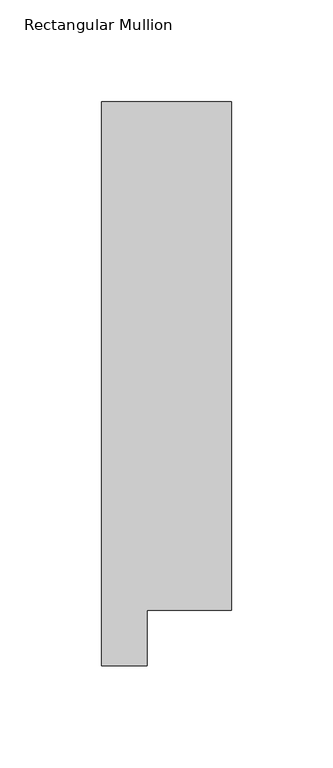
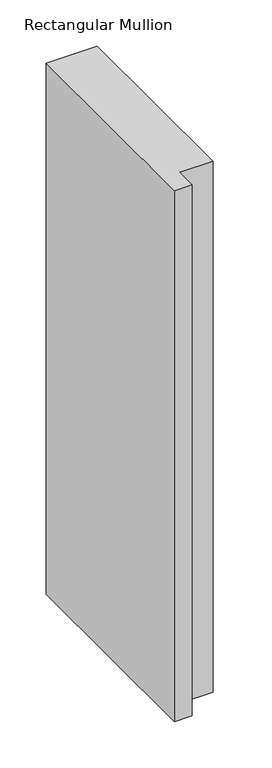
"""IFC4 building model written with IfcOpenShell, lengths in millimetres: member geometry, Rectangular Mullion."""

from ifc_helpers import new_model, si_unit, frame, origin, place, context, project, spatial, polyline, outline, extrude, source, transform, mapped, element, save


def rectangular_mullion_d21aa391(model_context):
    return source(origin(), model_context, "Body", "SweptSolid", [
        extrude(outline(polyline([(-63.5, 295.9695312), (0.0, 295.9695312), (0.0, 46.7447302), (-41.2877, 46.7447302), (-41.2877, 19.5667312), (-63.5, 19.5667312), (-63.5, 295.9695312)])), frame((0.0, 0.0, -698.5), z_axis=(0.0, 0.0, 1.0), x_axis=(1.0, 0.0, 0.0)), (0.0, 0.0, 1.0), 698.5),
    ])


if __name__ == "__main__":
    model = new_model("IFC4")
    model_context = context("Model", 3, world=origin())
    ifc_project = project(units=[si_unit("LENGTHUNIT", "METRE", prefix="MILLI")], contexts=[model_context])
    site = spatial("IfcSite", under=ifc_project)
    building = spatial("IfcBuilding", under=site)
    placement = place(None, origin())
    rectangular_mullion_shape = rectangular_mullion_d21aa391(model_context)
    element("IfcMember", 1, ObjectType="Rectangular Mullion", at=placement, inside=building, context=model_context, shape_type="MappedRepresentation", body=[
        mapped(rectangular_mullion_shape, transform((0.0, 0.0, 0.0), x_axis=(1.0, 0.0, 0.0), y_axis=(0.0, 1.0, 0.0), z_axis=(0.0, 0.0, 1.0))),
    ])
    save(model, "model.ifc")
